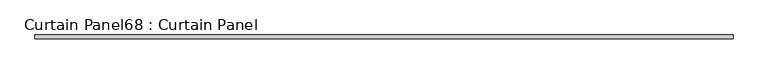
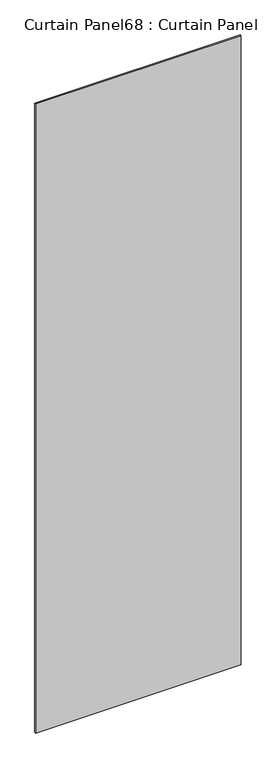
"""IFC4 building model written with IfcOpenShell, lengths in millimetres: plate geometry, Curtain Panel68 : Curtain Panel."""

from ifc_helpers import new_model, si_unit, frame, origin, place, context, project, spatial, polyline, outline, extrude, source, transform, mapped, element, save


def curtain_panel68_curtain_panel_751b5f1c(model_context):
    return source(origin(), model_context, "Body", "SweptSolid", [
        extrude(outline(polyline([(128218.0917433, 8028.5834949), (123355.8902572, 8028.5834949), (123355.8902572, 8053.9834949), (128218.0917433, 8053.9834949), (128218.0917433, 8028.5834949)])), frame((0.0, 0.0, 1433.7679301), z_axis=(0.0, 0.0, 1.0), x_axis=(1.0, 0.0, 0.0)), (0.0, 0.0, 1.0), 15711.5380959),
    ])


if __name__ == "__main__":
    model = new_model("IFC4")
    model_context = context("Model", 3, world=origin())
    ifc_project = project(units=[si_unit("LENGTHUNIT", "METRE", prefix="MILLI")], contexts=[model_context])
    site = spatial("IfcSite", under=ifc_project)
    building = spatial("IfcBuilding", under=site)
    placement = place(None, origin())
    curtain_panel68_curtain_panel_shape = curtain_panel68_curtain_panel_751b5f1c(model_context)
    element("IfcPlate", 1, ObjectType="Curtain Panel68 : Curtain Panel", at=placement, inside=building, context=model_context, shape_type="MappedRepresentation", body=[
        mapped(curtain_panel68_curtain_panel_shape, transform((0.0, 0.0, 0.0), x_axis=(1.0, 0.0, 0.0), y_axis=(0.0, 1.0, 0.0), z_axis=(0.0, 0.0, 1.0))),
    ])
    save(model, "model.ifc")
